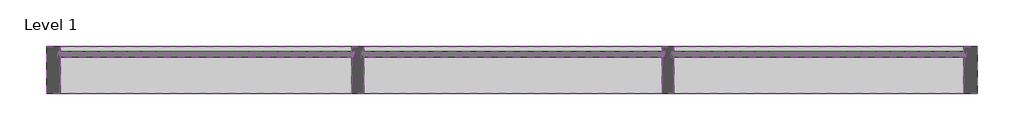
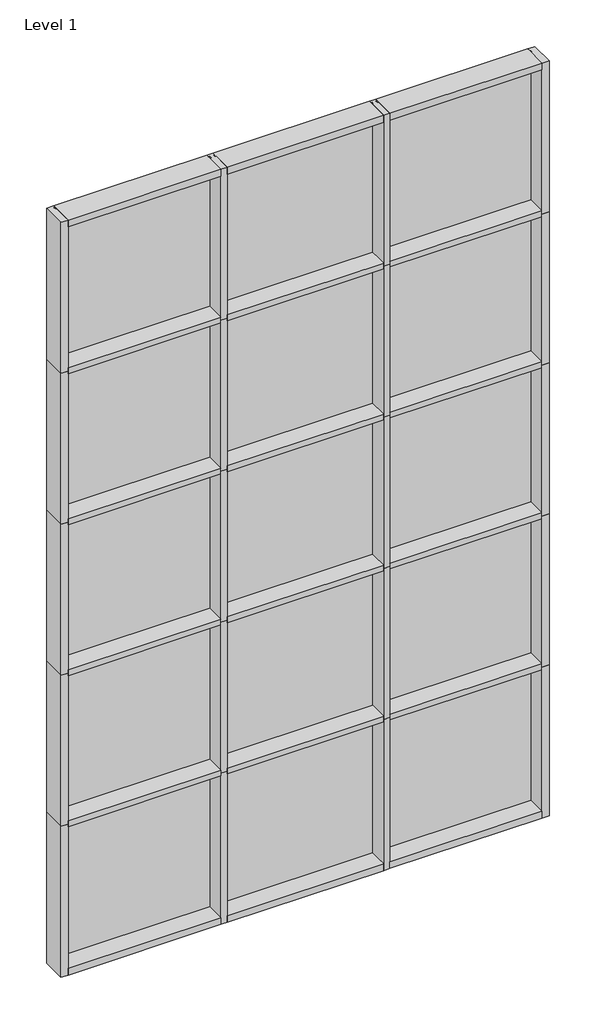
# One storey: 38 members, 15 plates.
"""IFC4 building model written with IfcOpenShell, lengths in millimetres."""

import ifcopenshell
import ifcopenshell.guid

model = None  # the IFC model being written
_history = None  # IfcOwnerHistory: only IFC2X3 demands one
_inside = {}  # id of a spatial element -> (the spatial element, [elements in it])
_under = {}  # id of a project, library or spatial element -> (it, [spatial elements below it])
_declared = {}  # id of a project -> (the project, [libraries it declares])
_typed = {}  # id of a type object -> (the type object, [elements of that type])
_made_of = {}  # id of a material, layer set ... -> (it, [elements and type objects made of it])


def new_model(schema):
    """Start an empty IFC model of exactly this schema.

    Asked for "IFC4X3", IfcOpenShell would pick the latest addendum, in which some entities
    have other attributes; the version numbers below select the first issue.
    IFC2X3 requires an IfcOwnerHistory on every rooted entity: one is made here for all.
    """
    global model, _history
    if schema == "IFC4X3":
        model = ifcopenshell.file(schema_version=(4, 3, 0, 0))
    else:
        model = ifcopenshell.file(schema=schema)
    _inside.clear()
    _under.clear()
    _declared.clear()
    _typed.clear()
    _made_of.clear()
    _history = None
    if model.schema == "IFC2X3":
        org = make("IfcOrganization", Name="unknown")
        user = make(
            "IfcPersonAndOrganization",
            ThePerson=make("IfcPerson", FamilyName="unknown"),
            TheOrganization=org,
        )
        app = make(
            "IfcApplication",
            ApplicationDeveloper=org,
            Version="unknown",
            ApplicationFullName="unknown",
            ApplicationIdentifier="unknown",
        )
        _history = make(
            "IfcOwnerHistory",
            OwningUser=user,
            OwningApplication=app,
            ChangeAction="ADDED",
            CreationDate=0,
        )
    return model


def make(cls, **values):
    """One entity of the class cls with the attributes given. An attribute that is None is left unset."""
    return model.create_entity(
        cls, **{name: value for name, value in values.items() if value is not None}
    )


def rooted(cls, **values):
    """An entity with a GlobalId (a new one), such as an element, a storey or a relation."""
    return make(cls, GlobalId=ifcopenshell.guid.new(), OwnerHistory=_history, **values)


def si_unit(unit_type, name, prefix=None):
    """IfcSIUnit, for example si_unit("LENGTHUNIT", "METRE", prefix="MILLI")."""
    return make("IfcSIUnit", UnitType=unit_type, Prefix=prefix, Name=name)


def assignment(units):
    """IfcUnitAssignment: the units of a project."""
    return None if units is None else make("IfcUnitAssignment", Units=units)


def point(xyz):
    """IfcCartesianPoint."""
    return None if xyz is None else make("IfcCartesianPoint", Coordinates=xyz)


def direction(xyz):
    """IfcDirection."""
    return None if xyz is None else make("IfcDirection", DirectionRatios=xyz)


def frame(location, z_axis=None, x_axis=None):
    """IfcAxis2Placement3D, a coordinate frame: its origin and axes. An axis left out is left unset."""
    return make(
        "IfcAxis2Placement3D",
        Location=point(location),
        Axis=direction(z_axis),
        RefDirection=direction(x_axis),
    )


def origin():
    """The frame at (0, 0, 0) with its axes left unset."""
    return frame((0.0, 0.0, 0.0))


def origin_with_axes():
    """The frame at (0, 0, 0) with the z axis (0, 0, 1) and the x axis (1, 0, 0) written out."""
    return frame((0.0, 0.0, 0.0), z_axis=(0.0, 0.0, 1.0), x_axis=(1.0, 0.0, 0.0))


def place(relative_to, where):
    """IfcLocalPlacement: puts the frame where relative to a parent placement (None: the world)."""
    return make(
        "IfcLocalPlacement", PlacementRelTo=relative_to, RelativePlacement=where
    )


def context(
    kind, dimensions, precision=None, world=None, true_north=None, identifier=None
):
    """IfcGeometricRepresentationContext, for example the 3D "Model" context."""
    return make(
        "IfcGeometricRepresentationContext",
        ContextIdentifier=identifier,
        ContextType=kind,
        CoordinateSpaceDimension=dimensions,
        Precision=precision,
        WorldCoordinateSystem=world,
        TrueNorth=true_north,
    )


def project(units=None, contexts=None):
    """IfcProject with its units and contexts."""
    return rooted(
        "IfcProject",
        Name="project",
        RepresentationContexts=contexts,
        UnitsInContext=assignment(units),
    )


def spatial(cls, under=None, at=None, **own):
    """A site, building, storey or space (cls), placed at a placement, below another one or the project."""
    s = rooted(cls, ObjectPlacement=at, **own)
    if under is not None:
        _under.setdefault(under.id(), (under, []))[1].append(s)
    return s


def polyline(points):
    """IfcPolyline through the points."""
    return make("IfcPolyline", Points=[point(p) for p in points])


def outline(outer, holes=None, kind="AREA"):
    """IfcArbitraryClosedProfileDef: a profile drawn as a closed curve; with holes, ...WithVoids."""
    if holes is None:
        return make("IfcArbitraryClosedProfileDef", ProfileType=kind, OuterCurve=outer)
    return make(
        "IfcArbitraryProfileDefWithVoids",
        ProfileType=kind,
        OuterCurve=outer,
        InnerCurves=holes,
    )


def extrude(swept, where, along, depth):
    """IfcExtrudedAreaSolid: the profile swept, set in the frame where, extruded along a direction by depth."""
    return make(
        "IfcExtrudedAreaSolid",
        SweptArea=swept,
        Position=where,
        ExtrudedDirection=direction(along),
        Depth=depth,
    )


def shape(context_of_items, identifier, shape_type, items):
    """IfcShapeRepresentation: the items that make up one representation, for example the "Body"."""
    return make(
        "IfcShapeRepresentation",
        ContextOfItems=context_of_items,
        RepresentationIdentifier=identifier,
        RepresentationType=shape_type,
        Items=items,
    )


def source(mapping_origin, context_of_items, identifier, shape_type, items):
    """IfcRepresentationMap: a shape defined once, which mapped items show again and again."""
    return make(
        "IfcRepresentationMap",
        MappingOrigin=mapping_origin,
        MappedRepresentation=shape(context_of_items, identifier, shape_type, items),
    )


def transform(
    local_origin,
    x_axis=None,
    y_axis=None,
    z_axis=None,
    scale=None,
    scale2=None,
    scale3=None,
    uniform=True,
):
    """IfcCartesianTransformationOperator3D, or its non-uniform kind. x_axis, y_axis, z_axis: its Axis1, 2, 3."""
    if uniform:
        return make(
            "IfcCartesianTransformationOperator3D",
            Axis1=direction(x_axis),
            Axis2=direction(y_axis),
            LocalOrigin=point(local_origin),
            Scale=scale,
            Axis3=direction(z_axis),
        )
    return make(
        "IfcCartesianTransformationOperator3DnonUniform",
        Axis1=direction(x_axis),
        Axis2=direction(y_axis),
        LocalOrigin=point(local_origin),
        Scale=scale,
        Axis3=direction(z_axis),
        Scale2=scale2,
        Scale3=scale3,
    )


def mapped(mapping_source, mapping_target):
    """IfcMappedItem: shows the shape of a source again, moved by a transform."""
    return make(
        "IfcMappedItem", MappingSource=mapping_source, MappingTarget=mapping_target
    )


def made_of(thing, what):
    """Note that an element or type object is made of a material, layer set ...; save() writes the relation."""
    if what is not None:
        _made_of.setdefault(what.id(), (what, []))[1].append(thing)
    return thing


def element(
    cls,
    number,
    at=None,
    inside=None,
    cuts=None,
    type_object=None,
    material=None,
    context=None,
    identifier="Body",
    shape_type=None,
    held_by="IfcProductDefinitionShape",
    body=None,
    shapes=None,
    **own,
):
    """One element of the class cls, such as IfcWall. Its Tag is "e" and its number.

    at: its placement. inside: the storey or other place that contains it. cuts: it is an
    opening in that element (IfcRelVoidsElement). A single representation is given by context,
    identifier, shape_type and body (its items); several are given by shapes. held_by: the class
    of the entity that holds the representations. save() writes the other relations.
    """
    e = rooted(cls, Tag="e%d" % number, ObjectPlacement=at, **own)
    if body is not None:
        shapes = [shape(context, identifier, shape_type, body)]
    if shapes is not None:
        e.Representation = make(held_by, Representations=shapes)
    if inside is not None:
        _inside.setdefault(inside.id(), (inside, []))[1].append(e)
    if cuts is not None:
        rooted(
            "IfcRelVoidsElement", RelatingBuildingElement=cuts, RelatedOpeningElement=e
        )
    if type_object is not None:
        _typed.setdefault(type_object.id(), (type_object, []))[1].append(e)
    return made_of(e, material)


def aggregate(whole, parts):
    """IfcRelAggregates: a whole, such as a stair, and the parts it consists of."""
    return rooted("IfcRelAggregates", RelatingObject=whole, RelatedObjects=parts)


def save(model, path):
    """Write the relations noted so far, then the file.

    IfcRelAggregates (storeys below a building ...), IfcRelContainedInSpatialStructure (elements
    in a storey), IfcRelDefinesByType, IfcRelAssociatesMaterial and IfcRelDeclares: one each for
    every whole, place, type object, material and project.
    """
    for whole, parts in _under.values():
        aggregate(whole, parts)
    for where, things in _inside.values():
        rooted(
            "IfcRelContainedInSpatialStructure",
            RelatedElements=things,
            RelatingStructure=where,
        )
    for kind, things in _typed.values():
        rooted("IfcRelDefinesByType", RelatedObjects=things, RelatingType=kind)
    for what, things in _made_of.values():
        rooted("IfcRelAssociatesMaterial", RelatedObjects=things, RelatingMaterial=what)
    for by, libraries in _declared.values():
        rooted("IfcRelDeclares", RelatingContext=by, RelatedDefinitions=libraries)
    model.write(path)


def rectangular_mullion_8f3e293e(model_context):
    return source(origin(), model_context, "Body", "SweptSolid", [
        extrude(outline(polyline([(-66.675, 190.5), (0.0, 190.5), (0.0, -38.1), (-66.675, -38.1), (-66.675, -12.7), (-53.9732296, -12.7), (-53.9732296, 12.7), (-66.675, 12.7), (-66.675, 190.5)])), frame((0.0, 0.0, -1449.9166667), z_axis=(0.0, 0.0, 1.0), x_axis=(1.0, 0.0, 0.0)), (0.0, 0.0, 1.0), 1449.9166667),
    ])


def rectangular_mullion_e6ea8e61(model_context):
    return source(origin(), model_context, "Body", "SweptSolid", [
        extrude(outline(polyline([(32.9094027, 190.5), (32.9094027, 12.7), (20.2076322, 12.7), (20.2076322, -12.7), (-11.5405973, -12.7), (-11.5405973, 12.7), (-24.2405973, 12.7), (-24.2405973, 190.5), (32.9094027, 190.5)])), frame((0.0, 0.0, -1449.9166667), z_axis=(0.0, 0.0, 1.0), x_axis=(1.0, 0.0, 0.0)), (0.0, 0.0, 1.0), 1449.9166667),
    ])


def rectangular_mullion_8a998536(model_context):
    return source(origin(), model_context, "Body", "SweptSolid", [
        extrude(outline(polyline([(32.9094027, 190.5), (32.9094027, 12.7), (20.2076322, 12.7), (20.2076322, -12.7), (32.9094027, -12.7), (32.9094027, -38.1), (-24.2405973, -38.1), (-24.2405973, -12.7), (-11.5405973, -12.7), (-11.5405973, 12.7), (-24.2405973, 12.7), (-24.2405973, 190.5), (32.9094027, 190.5)])), frame((0.0, 0.0, -1478.28), z_axis=(0.0, 0.0, 1.0), x_axis=(1.0, 0.0, 0.0)), (0.0, 0.0, 1.0), 1478.28),
    ])


def rectangular_mullion_c1861b81(model_context):
    return source(origin(), model_context, "Body", "SweptSolid", [
        extrude(outline(polyline([(-66.675, 190.5), (0.0, 190.5), (0.0, -38.1), (-66.675, -38.1), (-66.675, -12.7), (-53.9732296, -12.7), (-53.9732296, 12.7), (-66.675, 12.7), (-66.675, 190.5)])), frame((0.0, 0.0, -1478.28), z_axis=(0.0, 0.0, 1.0), x_axis=(1.0, 0.0, 0.0)), (0.0, 0.0, 1.0), 1478.28),
    ])


def rectangular_mullion_7b55bc18(model_context):
    return source(origin(), model_context, "Body", "SweptSolid", [
        extrude(outline(polyline([(-66.675, 190.5), (0.0, 190.5), (0.0, -38.1), (-66.675, -38.1), (-66.675, -12.7), (-53.975, -12.7), (-53.975, 12.7), (-66.675, 12.7), (-66.675, 190.5)])), frame((0.0, 0.0, -1478.28), z_axis=(0.0, 0.0, 1.0), x_axis=(1.0, 0.0, 0.0)), (0.0, 0.0, 1.0), 1478.28),
    ])


def rectangular_mullion_840729b7(model_context):
    return source(origin(), model_context, "Body", "SweptSolid", [
        extrude(outline(polyline([(-66.675, 190.5), (0.0, 190.5), (0.0, -38.1), (-66.675, -38.1), (-66.675, -12.7), (-53.9732296, -12.7), (-53.9732296, 12.7), (-66.675, 12.7), (-66.675, 190.5)])), frame((0.0, 0.0, -1407.482264), z_axis=(0.0, 0.0, 1.0), x_axis=(1.0, 0.0, 0.0)), (0.0, 0.0, 1.0), 1407.482264),
    ])


def rectangular_mullion_3126c345(model_context):
    return source(origin(), model_context, "Body", "SweptSolid", [
        extrude(outline(polyline([(32.9094027, 190.5), (32.9094027, 12.7), (20.2076322, 12.7), (20.2076322, -12.7), (-11.5405973, -12.7), (-11.5405973, 12.7), (-24.2405973, 12.7), (-24.2405973, 190.5), (32.9094027, 190.5)])), frame((0.0, 0.0, -1407.482264), z_axis=(0.0, 0.0, 1.0), x_axis=(1.0, 0.0, 0.0)), (0.0, 0.0, 1.0), 1407.482264),
    ])


def rectangular_mullion_44d6ee39(model_context):
    return source(origin(), model_context, "Body", "SweptSolid", [
        extrude(outline(polyline([(-66.675, 190.5), (0.0, 190.5), (0.0, -38.1), (-66.675, -38.1), (-66.675, -12.7), (-53.9732296, -12.7), (-53.9732296, 12.7), (-66.675, 12.7), (-66.675, 190.5)])), frame((0.0, 0.0, -1416.1510693), z_axis=(0.0, 0.0, 1.0), x_axis=(1.0, 0.0, 0.0)), (0.0, 0.0, 1.0), 1416.1510693),
    ])


def rectangular_mullion_76f4dd64(model_context):
    return source(origin(), model_context, "Body", "SweptSolid", [
        extrude(outline(polyline([(32.9094027, 190.5), (32.9094027, 12.7), (20.2076322, 12.7), (20.2076322, -12.7), (-11.5405973, -12.7), (-11.5405973, 12.7), (-24.2405973, 12.7), (-24.2405973, 190.5), (32.9094027, 190.5)])), frame((0.0, 0.0, -1416.1510693), z_axis=(0.0, 0.0, 1.0), x_axis=(1.0, 0.0, 0.0)), (0.0, 0.0, 1.0), 1416.1510693),
    ])


def plate_9e4fd607(model_context):
    return source(origin(), model_context, "Body", "SweptSolid", [
        extrude(outline(polyline([(737.6592185, -12.7), (-737.6592185, -12.7), (-737.6592185, 12.7), (737.6592185, 12.7), (737.6592185, -12.7)])), origin_with_axes(), (0.0, 0.0, 1.0), 1412.7661731),
    ])


def plate_405cbeae(model_context):
    return source(origin(), model_context, "Body", "SweptSolid", [
        extrude(outline(polyline([(737.6592185, -12.7), (-737.6592185, -12.7), (-737.6592185, 12.7), (737.6592185, 12.7), (737.6592185, -12.7)])), origin_with_axes(), (0.0, 0.0, 1.0), 1446.5317704),
    ])


def plate_d1f240fb(model_context):
    return source(origin(), model_context, "Body", "SweptSolid", [
        extrude(outline(polyline([(716.4429024, -12.7), (-716.4429024, -12.7), (-716.4429024, 12.7), (716.4429024, 12.7), (716.4429024, -12.7)])), origin_with_axes(), (0.0, 0.0, 1.0), 1412.7661731),
    ])


def plate_792acacb(model_context):
    return source(origin(), model_context, "Body", "SweptSolid", [
        extrude(outline(polyline([(716.4429024, -12.7), (-716.4429024, -12.7), (-716.4429024, 12.7), (716.4429024, 12.7), (716.4429024, -12.7)])), origin_with_axes(), (0.0, 0.0, 1.0), 1446.5317704),
    ])


def plate_f7e8b08c(model_context):
    return source(origin(), model_context, "Body", "SweptSolid", [
        extrude(outline(polyline([(737.6592185, -12.7), (-737.6592185, -12.7), (-737.6592185, 12.7), (737.6592185, 12.7), (737.6592185, -12.7)])), origin_with_axes(), (0.0, 0.0, 1.0), 1404.0991382),
    ])


def plate_6e07acbd(model_context):
    return source(origin(), model_context, "Body", "SweptSolid", [
        extrude(outline(polyline([(716.4429024, -12.7), (-716.4429024, -12.7), (-716.4429024, 12.7), (716.4429024, 12.7), (716.4429024, -12.7)])), origin_with_axes(), (0.0, 0.0, 1.0), 1404.0991382),
    ])


def plate_1ebdf03e(model_context):
    return source(origin(), model_context, "Body", "SweptSolid", [
        extrude(outline(polyline([(720.7755347, -12.7), (-720.7755347, -12.7), (-720.7755347, 12.7), (720.7755347, 12.7), (720.7755347, -12.7)])), origin_with_axes(), (0.0, 0.0, 1.0), 1412.7661731),
    ])


def plate_f271f029(model_context):
    return source(origin(), model_context, "Body", "SweptSolid", [
        extrude(outline(polyline([(720.7755347, -12.7), (-720.7755347, -12.7), (-720.7755347, 12.7), (720.7755347, 12.7), (720.7755347, -12.7)])), origin_with_axes(), (0.0, 0.0, 1.0), 1446.5317704),
    ])


def plate_55752d46(model_context):
    return source(origin(), model_context, "Body", "SweptSolid", [
        extrude(outline(polyline([(720.7755347, -12.7), (-720.7755347, -12.7), (-720.7755347, 12.7), (720.7755347, 12.7), (720.7755347, -12.7)])), origin_with_axes(), (0.0, 0.0, 1.0), 1404.0991382),
    ])


model = new_model("IFC4")

# Units and contexts
model_context = context("Model", 3, world=origin())
ifc_project = project(units=[si_unit("LENGTHUNIT", "METRE", prefix="MILLI")], contexts=[model_context])

# Site, building, storey
site = spatial("IfcSite", under=ifc_project)
building = spatial("IfcBuilding", under=site)
storey = spatial("IfcBuildingStorey", under=building, Name="Level 1", Elevation=0.0)

# Members
placement = place(None, origin())
rectangular_mullion_shape = rectangular_mullion_8f3e293e(model_context)
element("IfcMember", 1, ObjectType="Rectangular Mullion", at=placement, inside=storey, context=model_context, shape_type="MappedRepresentation", body=[
    mapped(rectangular_mullion_shape, transform((4980.9643369, 4173.5366393, 0.0), x_axis=(0.0, 0.0, -1.0), y_axis=(0.0, -1.0, 0.0), z_axis=(-1.0, 0.0, 0.0))),
])
rectangular_mullion_2_shape = rectangular_mullion_e6ea8e61(model_context)
element("IfcMember", 2, ObjectType="Rectangular Mullion", at=placement, inside=storey, context=model_context, shape_type="MappedRepresentation", body=[
    mapped(rectangular_mullion_2_shape, transform((6430.8810035, 4173.5366393, 1478.28), x_axis=(0.0, 0.0, 1.0), y_axis=(0.0, -1.0, 0.0), z_axis=(1.0, 0.0, 0.0))),
])
element("IfcMember", 3, ObjectType="Rectangular Mullion", at=placement, inside=storey, context=model_context, shape_type="MappedRepresentation", body=[
    mapped(rectangular_mullion_2_shape, transform((6430.8810035, 4173.5366393, 2956.56), x_axis=(0.0, 0.0, 1.0), y_axis=(0.0, -1.0, 0.0), z_axis=(1.0, 0.0, 0.0))),
])
element("IfcMember", 4, ObjectType="Rectangular Mullion", at=placement, inside=storey, context=model_context, shape_type="MappedRepresentation", body=[
    mapped(rectangular_mullion_2_shape, transform((6430.8810035, 4173.5366393, 4434.84), x_axis=(0.0, 0.0, 1.0), y_axis=(0.0, -1.0, 0.0), z_axis=(1.0, 0.0, 0.0))),
])
element("IfcMember", 5, ObjectType="Rectangular Mullion", at=placement, inside=storey, context=model_context, shape_type="MappedRepresentation", body=[
    mapped(rectangular_mullion_2_shape, transform((6430.8810035, 4173.5366393, 5913.12), x_axis=(0.0, 0.0, 1.0), y_axis=(0.0, -1.0, 0.0), z_axis=(1.0, 0.0, 0.0))),
])
element("IfcMember", 6, ObjectType="Rectangular Mullion", at=placement, inside=storey, context=model_context, shape_type="MappedRepresentation", body=[
    mapped(rectangular_mullion_shape, transform((6430.8810035, 4173.5366393, 7391.4), x_axis=(0.0, 0.0, 1.0), y_axis=(0.0, -1.0, 0.0), z_axis=(1.0, 0.0, 0.0))),
])
rectangular_mullion_3_shape = rectangular_mullion_8a998536(model_context)
element("IfcMember", 7, ObjectType="Rectangular Mullion", at=placement, inside=storey, context=model_context, shape_type="MappedRepresentation", body=[
    mapped(rectangular_mullion_3_shape, transform((4948.0549342, 4173.5366393, 0.0), x_axis=(1.0, 0.0, 0.0), y_axis=(0.0, -1.0, 0.0), z_axis=(0.0, 0.0, -1.0))),
])
element("IfcMember", 8, ObjectType="Rectangular Mullion", at=placement, inside=storey, context=model_context, shape_type="MappedRepresentation", body=[
    mapped(rectangular_mullion_3_shape, transform((6455.1216009, 4173.5366393, 0.0), x_axis=(1.0, 0.0, 0.0), y_axis=(0.0, -1.0, 0.0), z_axis=(0.0, 0.0, -1.0))),
])
element("IfcMember", 9, ObjectType="Rectangular Mullion", at=placement, inside=storey, context=model_context, shape_type="MappedRepresentation", body=[
    mapped(rectangular_mullion_3_shape, transform((4948.0549342, 4173.5366393, 1478.28), x_axis=(1.0, 0.0, 0.0), y_axis=(0.0, -1.0, 0.0), z_axis=(0.0, 0.0, -1.0))),
])
element("IfcMember", 10, ObjectType="Rectangular Mullion", at=placement, inside=storey, context=model_context, shape_type="MappedRepresentation", body=[
    mapped(rectangular_mullion_3_shape, transform((6455.1216009, 4173.5366393, 1478.28), x_axis=(1.0, 0.0, 0.0), y_axis=(0.0, -1.0, 0.0), z_axis=(0.0, 0.0, -1.0))),
])
element("IfcMember", 11, ObjectType="Rectangular Mullion", at=placement, inside=storey, context=model_context, shape_type="MappedRepresentation", body=[
    mapped(rectangular_mullion_3_shape, transform((4948.0549342, 4173.5366393, 2956.56), x_axis=(1.0, 0.0, 0.0), y_axis=(0.0, -1.0, 0.0), z_axis=(0.0, 0.0, -1.0))),
])
element("IfcMember", 12, ObjectType="Rectangular Mullion", at=placement, inside=storey, context=model_context, shape_type="MappedRepresentation", body=[
    mapped(rectangular_mullion_3_shape, transform((6455.1216009, 4173.5366393, 2956.56), x_axis=(1.0, 0.0, 0.0), y_axis=(0.0, -1.0, 0.0), z_axis=(0.0, 0.0, -1.0))),
])
element("IfcMember", 13, ObjectType="Rectangular Mullion", at=placement, inside=storey, context=model_context, shape_type="MappedRepresentation", body=[
    mapped(rectangular_mullion_3_shape, transform((4948.0549342, 4173.5366393, 4434.84), x_axis=(1.0, 0.0, 0.0), y_axis=(0.0, -1.0, 0.0), z_axis=(0.0, 0.0, -1.0))),
])
element("IfcMember", 14, ObjectType="Rectangular Mullion", at=placement, inside=storey, context=model_context, shape_type="MappedRepresentation", body=[
    mapped(rectangular_mullion_3_shape, transform((6455.1216009, 4173.5366393, 4434.84), x_axis=(1.0, 0.0, 0.0), y_axis=(0.0, -1.0, 0.0), z_axis=(0.0, 0.0, -1.0))),
])
rectangular_mullion_4_shape = rectangular_mullion_c1861b81(model_context)
element("IfcMember", 15, ObjectType="Rectangular Mullion", at=placement, inside=storey, context=model_context, shape_type="MappedRepresentation", body=[
    mapped(rectangular_mullion_4_shape, transform((7962.1882675, 4173.5366393, 0.0), x_axis=(1.0, 0.0, 0.0), y_axis=(0.0, -1.0, 0.0), z_axis=(0.0, 0.0, -1.0))),
])
element("IfcMember", 16, ObjectType="Rectangular Mullion", at=placement, inside=storey, context=model_context, shape_type="MappedRepresentation", body=[
    mapped(rectangular_mullion_4_shape, transform((7962.1882675, 4173.5366393, 1478.28), x_axis=(1.0, 0.0, 0.0), y_axis=(0.0, -1.0, 0.0), z_axis=(0.0, 0.0, -1.0))),
])
element("IfcMember", 17, ObjectType="Rectangular Mullion", at=placement, inside=storey, context=model_context, shape_type="MappedRepresentation", body=[
    mapped(rectangular_mullion_4_shape, transform((7962.1882675, 4173.5366393, 2956.56), x_axis=(1.0, 0.0, 0.0), y_axis=(0.0, -1.0, 0.0), z_axis=(0.0, 0.0, -1.0))),
])
element("IfcMember", 18, ObjectType="Rectangular Mullion", at=placement, inside=storey, context=model_context, shape_type="MappedRepresentation", body=[
    mapped(rectangular_mullion_4_shape, transform((7962.1882675, 4173.5366393, 4434.84), x_axis=(1.0, 0.0, 0.0), y_axis=(0.0, -1.0, 0.0), z_axis=(0.0, 0.0, -1.0))),
])
rectangular_mullion_5_shape = rectangular_mullion_7b55bc18(model_context)
element("IfcMember", 19, ObjectType="Rectangular Mullion", at=placement, inside=storey, context=model_context, shape_type="MappedRepresentation", body=[
    mapped(rectangular_mullion_5_shape, transform((3440.9882675, 4173.5366393, 1478.28), x_axis=(-1.0, 0.0, 0.0), y_axis=(0.0, -1.0, 0.0), z_axis=(0.0, 0.0, 1.0))),
])
element("IfcMember", 20, ObjectType="Rectangular Mullion", at=placement, inside=storey, context=model_context, shape_type="MappedRepresentation", body=[
    mapped(rectangular_mullion_5_shape, transform((3440.9882675, 4173.5366393, 2956.56), x_axis=(-1.0, 0.0, 0.0), y_axis=(0.0, -1.0, 0.0), z_axis=(0.0, 0.0, 1.0))),
])
element("IfcMember", 21, ObjectType="Rectangular Mullion", at=placement, inside=storey, context=model_context, shape_type="MappedRepresentation", body=[
    mapped(rectangular_mullion_5_shape, transform((3440.9882675, 4173.5366393, 4434.84), x_axis=(-1.0, 0.0, 0.0), y_axis=(0.0, -1.0, 0.0), z_axis=(0.0, 0.0, 1.0))),
])
element("IfcMember", 22, ObjectType="Rectangular Mullion", at=placement, inside=storey, context=model_context, shape_type="MappedRepresentation", body=[
    mapped(rectangular_mullion_5_shape, transform((3440.9882675, 4173.5366393, 5913.12), x_axis=(-1.0, 0.0, 0.0), y_axis=(0.0, -1.0, 0.0), z_axis=(0.0, 0.0, 1.0))),
])
element("IfcMember", 23, ObjectType="Rectangular Mullion", at=placement, inside=storey, context=model_context, shape_type="MappedRepresentation", body=[
    mapped(rectangular_mullion_3_shape, transform((4948.0549342, 4173.5366393, 5913.12), x_axis=(1.0, 0.0, 0.0), y_axis=(0.0, -1.0, 0.0), z_axis=(0.0, 0.0, -1.0))),
])
element("IfcMember", 24, ObjectType="Rectangular Mullion", at=placement, inside=storey, context=model_context, shape_type="MappedRepresentation", body=[
    mapped(rectangular_mullion_3_shape, transform((6455.1216009, 4173.5366393, 5913.12), x_axis=(1.0, 0.0, 0.0), y_axis=(0.0, -1.0, 0.0), z_axis=(0.0, 0.0, -1.0))),
])
element("IfcMember", 25, ObjectType="Rectangular Mullion", at=placement, inside=storey, context=model_context, shape_type="MappedRepresentation", body=[
    mapped(rectangular_mullion_5_shape, transform((3440.9882675, 4173.5366393, 7391.4), x_axis=(-1.0, 0.0, 0.0), y_axis=(0.0, -1.0, 0.0), z_axis=(0.0, 0.0, 1.0))),
])
element("IfcMember", 26, ObjectType="Rectangular Mullion", at=placement, inside=storey, context=model_context, shape_type="MappedRepresentation", body=[
    mapped(rectangular_mullion_4_shape, transform((7962.1882675, 4173.5366393, 5913.12), x_axis=(1.0, 0.0, 0.0), y_axis=(0.0, -1.0, 0.0), z_axis=(0.0, 0.0, -1.0))),
])
rectangular_mullion_6_shape = rectangular_mullion_840729b7(model_context)
element("IfcMember", 27, ObjectType="Rectangular Mullion", at=placement, inside=storey, context=model_context, shape_type="MappedRepresentation", body=[
    mapped(rectangular_mullion_6_shape, transform((7895.5132675, 4173.5366393, 7391.4), x_axis=(0.0, 0.0, 1.0), y_axis=(0.0, -1.0, 0.0), z_axis=(1.0, 0.0, 0.0))),
])
element("IfcMember", 28, ObjectType="Rectangular Mullion", at=placement, inside=storey, context=model_context, shape_type="MappedRepresentation", body=[
    mapped(rectangular_mullion_6_shape, transform((6488.0310035, 4173.5366393, 0.0), x_axis=(0.0, 0.0, -1.0), y_axis=(0.0, -1.0, 0.0), z_axis=(-1.0, 0.0, 0.0))),
])
rectangular_mullion_7_shape = rectangular_mullion_3126c345(model_context)
element("IfcMember", 29, ObjectType="Rectangular Mullion", at=placement, inside=storey, context=model_context, shape_type="MappedRepresentation", body=[
    mapped(rectangular_mullion_7_shape, transform((7895.5132675, 4173.5366393, 1478.28), x_axis=(0.0, 0.0, 1.0), y_axis=(0.0, -1.0, 0.0), z_axis=(1.0, 0.0, 0.0))),
])
element("IfcMember", 30, ObjectType="Rectangular Mullion", at=placement, inside=storey, context=model_context, shape_type="MappedRepresentation", body=[
    mapped(rectangular_mullion_7_shape, transform((7895.5132675, 4173.5366393, 2956.56), x_axis=(0.0, 0.0, 1.0), y_axis=(0.0, -1.0, 0.0), z_axis=(1.0, 0.0, 0.0))),
])
element("IfcMember", 31, ObjectType="Rectangular Mullion", at=placement, inside=storey, context=model_context, shape_type="MappedRepresentation", body=[
    mapped(rectangular_mullion_7_shape, transform((7895.5132675, 4173.5366393, 4434.84), x_axis=(0.0, 0.0, 1.0), y_axis=(0.0, -1.0, 0.0), z_axis=(1.0, 0.0, 0.0))),
])
element("IfcMember", 32, ObjectType="Rectangular Mullion", at=placement, inside=storey, context=model_context, shape_type="MappedRepresentation", body=[
    mapped(rectangular_mullion_7_shape, transform((7895.5132675, 4173.5366393, 5913.12), x_axis=(0.0, 0.0, 1.0), y_axis=(0.0, -1.0, 0.0), z_axis=(1.0, 0.0, 0.0))),
])
rectangular_mullion_8_shape = rectangular_mullion_44d6ee39(model_context)
element("IfcMember", 33, ObjectType="Rectangular Mullion", at=placement, inside=storey, context=model_context, shape_type="MappedRepresentation", body=[
    mapped(rectangular_mullion_8_shape, transform((4923.8143369, 4173.5366393, 7391.4), x_axis=(0.0, 0.0, 1.0), y_axis=(0.0, -1.0, 0.0), z_axis=(1.0, 0.0, 0.0))),
])
element("IfcMember", 34, ObjectType="Rectangular Mullion", at=placement, inside=storey, context=model_context, shape_type="MappedRepresentation", body=[
    mapped(rectangular_mullion_8_shape, transform((3507.6632675, 4173.5366393, 0.0), x_axis=(0.0, 0.0, -1.0), y_axis=(0.0, -1.0, 0.0), z_axis=(-1.0, 0.0, 0.0))),
])
rectangular_mullion_9_shape = rectangular_mullion_76f4dd64(model_context)
element("IfcMember", 35, ObjectType="Rectangular Mullion", at=placement, inside=storey, context=model_context, shape_type="MappedRepresentation", body=[
    mapped(rectangular_mullion_9_shape, transform((4923.8143369, 4173.5366393, 1478.28), x_axis=(0.0, 0.0, 1.0), y_axis=(0.0, -1.0, 0.0), z_axis=(1.0, 0.0, 0.0))),
])
element("IfcMember", 36, ObjectType="Rectangular Mullion", at=placement, inside=storey, context=model_context, shape_type="MappedRepresentation", body=[
    mapped(rectangular_mullion_9_shape, transform((4923.8143369, 4173.5366393, 2956.56), x_axis=(0.0, 0.0, 1.0), y_axis=(0.0, -1.0, 0.0), z_axis=(1.0, 0.0, 0.0))),
])
element("IfcMember", 37, ObjectType="Rectangular Mullion", at=placement, inside=storey, context=model_context, shape_type="MappedRepresentation", body=[
    mapped(rectangular_mullion_9_shape, transform((4923.8143369, 4173.5366393, 4434.84), x_axis=(0.0, 0.0, 1.0), y_axis=(0.0, -1.0, 0.0), z_axis=(1.0, 0.0, 0.0))),
])
element("IfcMember", 38, ObjectType="Rectangular Mullion", at=placement, inside=storey, context=model_context, shape_type="MappedRepresentation", body=[
    mapped(rectangular_mullion_9_shape, transform((4923.8143369, 4173.5366393, 5913.12), x_axis=(0.0, 0.0, 1.0), y_axis=(0.0, -1.0, 0.0), z_axis=(1.0, 0.0, 0.0))),
])

# Plates
plate_shape = plate_9e4fd607(model_context)
element("IfcPlate", 39, ObjectType="System Panel : 1\" Glass Solid", at=placement, inside=storey, context=model_context, shape_type="MappedRepresentation", body=[
    mapped(plate_shape, transform((5705.921785, 4173.5366393, 53.9732296), x_axis=(1.0, 0.0, 0.0), y_axis=(0.0, 1.0, 0.0), z_axis=(0.0, 0.0, 1.0))),
])
plate_2_shape = plate_405cbeae(model_context)
element("IfcPlate", 40, ObjectType="System Panel : 1\" Glass Solid", at=placement, inside=storey, context=model_context, shape_type="MappedRepresentation", body=[
    mapped(plate_2_shape, transform((5705.921785, 4173.5366393, 1498.4876322), x_axis=(1.0, 0.0, 0.0), y_axis=(0.0, 1.0, 0.0), z_axis=(0.0, 0.0, 1.0))),
])
element("IfcPlate", 41, ObjectType="System Panel : 1\" Glass Solid", at=placement, inside=storey, context=model_context, shape_type="MappedRepresentation", body=[
    mapped(plate_2_shape, transform((5705.921785, 4173.5366393, 2976.7676322), x_axis=(1.0, 0.0, 0.0), y_axis=(0.0, 1.0, 0.0), z_axis=(0.0, 0.0, 1.0))),
])
element("IfcPlate", 42, ObjectType="System Panel : 1\" Glass Solid", at=placement, inside=storey, context=model_context, shape_type="MappedRepresentation", body=[
    mapped(plate_2_shape, transform((5705.921785, 4173.5366393, 4455.0476322), x_axis=(1.0, 0.0, 0.0), y_axis=(0.0, 1.0, 0.0), z_axis=(0.0, 0.0, 1.0))),
])
plate_3_shape = plate_d1f240fb(model_context)
element("IfcPlate", 43, ObjectType="System Panel : 1\" Glass Solid", at=placement, inside=storey, context=model_context, shape_type="MappedRepresentation", body=[
    mapped(plate_3_shape, transform((7191.7721355, 4173.5366393, 53.9732296), x_axis=(1.0, 0.0, 0.0), y_axis=(0.0, 1.0, 0.0), z_axis=(0.0, 0.0, 1.0))),
])
plate_4_shape = plate_792acacb(model_context)
element("IfcPlate", 44, ObjectType="System Panel : 1\" Glass Solid", at=placement, inside=storey, context=model_context, shape_type="MappedRepresentation", body=[
    mapped(plate_4_shape, transform((7191.7721355, 4173.5366393, 1498.4876322), x_axis=(1.0, 0.0, 0.0), y_axis=(0.0, 1.0, 0.0), z_axis=(0.0, 0.0, 1.0))),
])
element("IfcPlate", 45, ObjectType="System Panel : 1\" Glass Solid", at=placement, inside=storey, context=model_context, shape_type="MappedRepresentation", body=[
    mapped(plate_4_shape, transform((7191.7721355, 4173.5366393, 2976.7676322), x_axis=(1.0, 0.0, 0.0), y_axis=(0.0, 1.0, 0.0), z_axis=(0.0, 0.0, 1.0))),
])
element("IfcPlate", 46, ObjectType="System Panel : 1\" Glass Solid", at=placement, inside=storey, context=model_context, shape_type="MappedRepresentation", body=[
    mapped(plate_4_shape, transform((7191.7721355, 4173.5366393, 4455.0476322), x_axis=(1.0, 0.0, 0.0), y_axis=(0.0, 1.0, 0.0), z_axis=(0.0, 0.0, 1.0))),
])
plate_5_shape = plate_f7e8b08c(model_context)
element("IfcPlate", 47, ObjectType="System Panel : 1\" Glass Solid", at=placement, inside=storey, context=model_context, shape_type="MappedRepresentation", body=[
    mapped(plate_5_shape, transform((5705.921785, 4173.5366393, 5933.3276322), x_axis=(1.0, 0.0, 0.0), y_axis=(0.0, 1.0, 0.0), z_axis=(0.0, 0.0, 1.0))),
])
plate_6_shape = plate_6e07acbd(model_context)
element("IfcPlate", 48, ObjectType="System Panel : 1\" Glass Solid", at=placement, inside=storey, context=model_context, shape_type="MappedRepresentation", body=[
    mapped(plate_6_shape, transform((7191.7721355, 4173.5366393, 5933.3276322), x_axis=(1.0, 0.0, 0.0), y_axis=(0.0, 1.0, 0.0), z_axis=(0.0, 0.0, 1.0))),
])
plate_7_shape = plate_1ebdf03e(model_context)
element("IfcPlate", 49, ObjectType="System Panel : 1\" Glass Solid", at=placement, inside=storey, context=model_context, shape_type="MappedRepresentation", body=[
    mapped(plate_7_shape, transform((4215.7388022, 4173.5366393, 53.9732296), x_axis=(1.0, 0.0, 0.0), y_axis=(0.0, 1.0, 0.0), z_axis=(0.0, 0.0, 1.0))),
])
plate_8_shape = plate_f271f029(model_context)
element("IfcPlate", 50, ObjectType="System Panel : 1\" Glass Solid", at=placement, inside=storey, context=model_context, shape_type="MappedRepresentation", body=[
    mapped(plate_8_shape, transform((4215.7388022, 4173.5366393, 1498.4876322), x_axis=(1.0, 0.0, 0.0), y_axis=(0.0, 1.0, 0.0), z_axis=(0.0, 0.0, 1.0))),
])
element("IfcPlate", 51, ObjectType="System Panel : 1\" Glass Solid", at=placement, inside=storey, context=model_context, shape_type="MappedRepresentation", body=[
    mapped(plate_8_shape, transform((4215.7388022, 4173.5366393, 2976.7676322), x_axis=(1.0, 0.0, 0.0), y_axis=(0.0, 1.0, 0.0), z_axis=(0.0, 0.0, 1.0))),
])
element("IfcPlate", 52, ObjectType="System Panel : 1\" Glass Solid", at=placement, inside=storey, context=model_context, shape_type="MappedRepresentation", body=[
    mapped(plate_8_shape, transform((4215.7388022, 4173.5366393, 4455.0476322), x_axis=(1.0, 0.0, 0.0), y_axis=(0.0, 1.0, 0.0), z_axis=(0.0, 0.0, 1.0))),
])
plate_9_shape = plate_55752d46(model_context)
element("IfcPlate", 53, ObjectType="System Panel : 1\" Glass Solid", at=placement, inside=storey, context=model_context, shape_type="MappedRepresentation", body=[
    mapped(plate_9_shape, transform((4215.7388022, 4173.5366393, 5933.3276322), x_axis=(1.0, 0.0, 0.0), y_axis=(0.0, 1.0, 0.0), z_axis=(0.0, 0.0, 1.0))),
])

save(model, "model.ifc")
